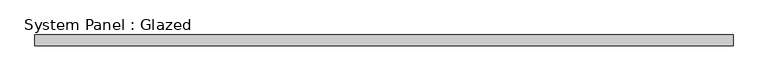
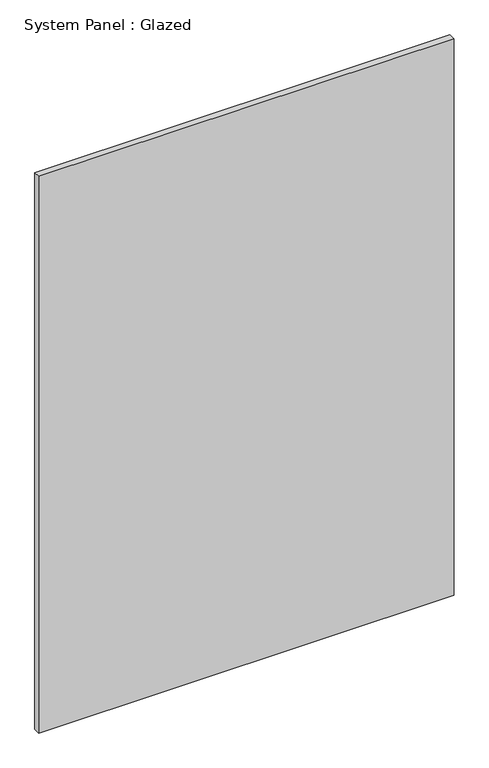
"""IFC4 building model written with IfcOpenShell, lengths in millimetres: plate geometry, System Panel : Glazed."""

from ifc_helpers import new_model, si_unit, origin, origin_with_axes, place, context, project, spatial, polyline, outline, extrude, source, transform, mapped, element, save


def system_panel_glazed_66589163(model_context):
    return source(origin(), model_context, "Body", "SweptSolid", [
        extrude(outline(polyline([(794.0628487, 24.5), (-794.0628487, 24.5), (-794.0628487, 49.5), (794.0628487, 49.5), (794.0628487, 24.5)])), origin_with_axes(), (0.0, 0.0, 1.0), 2250.0),
    ])


if __name__ == "__main__":
    model = new_model("IFC4")
    model_context = context("Model", 3, world=origin())
    ifc_project = project(units=[si_unit("LENGTHUNIT", "METRE", prefix="MILLI")], contexts=[model_context])
    site = spatial("IfcSite", under=ifc_project)
    building = spatial("IfcBuilding", under=site)
    placement = place(None, origin())
    system_panel_glazed_shape = system_panel_glazed_66589163(model_context)
    element("IfcPlate", 1, ObjectType="System Panel : Glazed", at=placement, inside=building, context=model_context, shape_type="MappedRepresentation", body=[
        mapped(system_panel_glazed_shape, transform((0.0, 0.0, 0.0), x_axis=(1.0, 0.0, 0.0), y_axis=(0.0, 1.0, 0.0), z_axis=(0.0, 0.0, 1.0))),
    ])
    save(model, "model.ifc")
